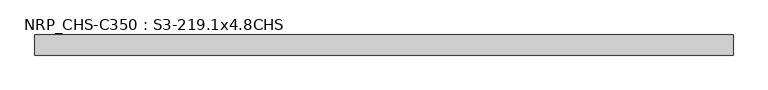
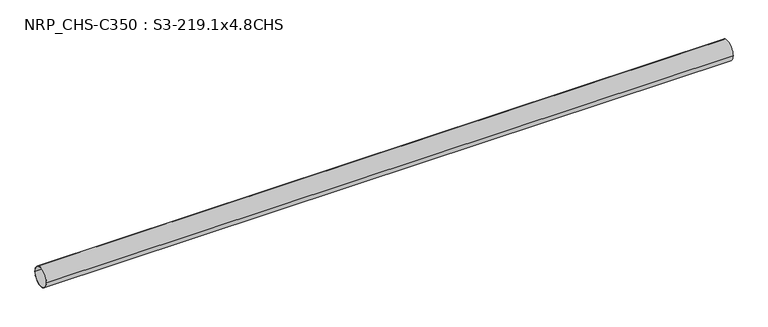
"""IFC4 building model written with IfcOpenShell, lengths in millimetres: beam geometry, NRP_CHS-C350 : S3-219.1x4.8CHS."""

from ifc_helpers import new_model, si_unit, point, frame, origin, origin_2d, place, context, project, spatial, circle_curve, trimmed, segment, composite_curve, outline, extrude, source, transform, mapped, element, save


def nrp_chs_c350_s3_219_1x4_8chs_8d8937d9(model_context):
    return source(origin(), model_context, "Body", "SweptSolid", [
        extrude(outline(composite_curve([segment(trimmed(circle_curve(origin_2d(), 109.55), [point((-109.55, 0.0))], [point((109.55, 0.0))], False, "CARTESIAN"), True, "CONTINUOUS"), segment(trimmed(circle_curve(origin_2d(), 109.55), [point((109.55, 0.0))], [point((-109.55, 0.0))], False, "CARTESIAN"), True, "CONTINUOUS")], self_intersect=False), holes=[composite_curve([segment(trimmed(circle_curve(origin_2d(), 104.75), [point((104.75, 0.0))], [point((-104.75, 0.0))], True, "CARTESIAN"), True, "CONTINUOUS"), segment(trimmed(circle_curve(origin_2d(), 104.75), [point((-104.75, 0.0))], [point((104.75, 0.0))], True, "CARTESIAN"), True, "CONTINUOUS")], self_intersect=False)]), frame((-3786.15, 0.0, 0.0), z_axis=(1.0, 0.0, 0.0), x_axis=(0.0, 1.0, 0.0)), (0.0, 0.0, 1.0), 7584.8),
    ])


if __name__ == "__main__":
    model = new_model("IFC4")
    model_context = context("Model", 3, world=origin())
    ifc_project = project(units=[si_unit("LENGTHUNIT", "METRE", prefix="MILLI")], contexts=[model_context])
    site = spatial("IfcSite", under=ifc_project)
    building = spatial("IfcBuilding", under=site)
    placement = place(None, origin())
    nrp_chs_c350_s3_219_1x4_8chs_shape = nrp_chs_c350_s3_219_1x4_8chs_8d8937d9(model_context)
    element("IfcBeam", 1, ObjectType="NRP_CHS-C350 : S3-219.1x4.8CHS", at=placement, inside=building, context=model_context, shape_type="MappedRepresentation", body=[
        mapped(nrp_chs_c350_s3_219_1x4_8chs_shape, transform((0.0, 0.0, 0.0), x_axis=(1.0, 0.0, 0.0), y_axis=(0.0, 1.0, 0.0), z_axis=(0.0, 0.0, 1.0))),
    ])
    save(model, "model.ifc")
